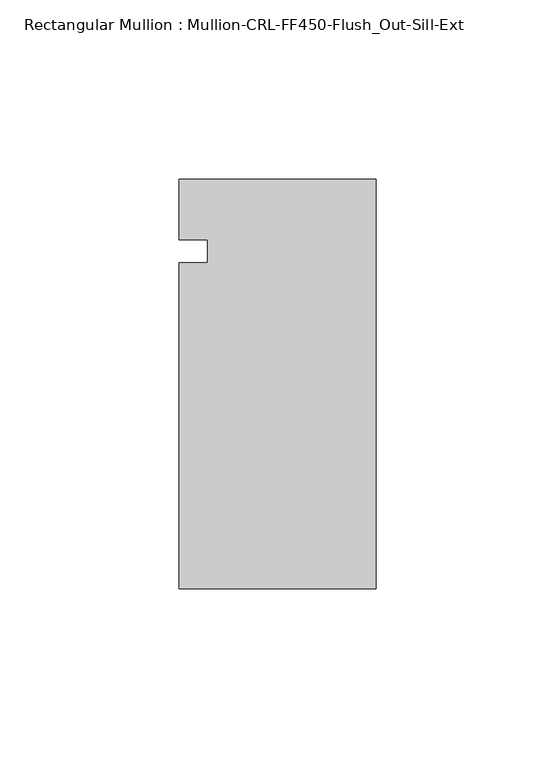
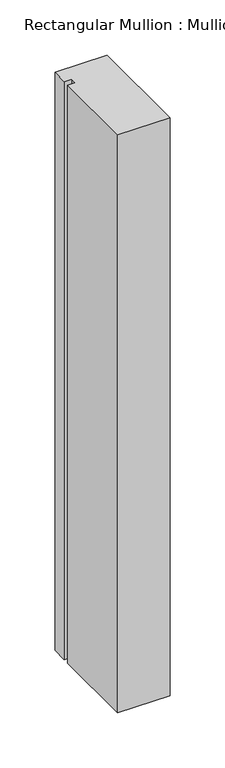
"""IFC4 building model written with IfcOpenShell, lengths in millimetres: member geometry, Rectangular Mullion : Mullion-CRL-FF450-Flush_Out-Sill-Ext."""

from ifc_helpers import new_model, si_unit, frame, origin, place, context, project, spatial, polyline, outline, extrude, source, transform, mapped, element, save


def rectangular_mullion_mullion_crl_ff450_flush_out_sill_ext_052c974a(model_context):
    return source(origin(), model_context, "Body", "SweptSolid", [
        extrude(outline(polyline([(-54.9910181, -94.1461601), (-54.9910181, -3.1555912), (-47.0535181, -3.1555912), (-47.0535181, 3.1944088), (-54.9910181, 3.1944088), (-54.9910181, 20.160815), (0.0, 20.160815), (0.0, -94.1461601), (-54.9910181, -94.1461601)])), frame((0.0, 0.0, -641.3499599), z_axis=(0.0, 0.0, 1.0), x_axis=(1.0, 0.0, 0.0)), (0.0, 0.0, 1.0), 641.3499599),
    ])


if __name__ == "__main__":
    model = new_model("IFC4")
    model_context = context("Model", 3, world=origin())
    ifc_project = project(units=[si_unit("LENGTHUNIT", "METRE", prefix="MILLI")], contexts=[model_context])
    site = spatial("IfcSite", under=ifc_project)
    building = spatial("IfcBuilding", under=site)
    placement = place(None, origin())
    rectangular_mullion_mullion_crl_ff450_flush_out_sill_ext_shape = rectangular_mullion_mullion_crl_ff450_flush_out_sill_ext_052c974a(model_context)
    element("IfcMember", 1, ObjectType="Rectangular Mullion : Mullion-CRL-FF450-Flush_Out-Sill-Ext", at=placement, inside=building, context=model_context, shape_type="MappedRepresentation", body=[
        mapped(rectangular_mullion_mullion_crl_ff450_flush_out_sill_ext_shape, transform((0.0, 0.0, 0.0), x_axis=(1.0, 0.0, 0.0), y_axis=(0.0, 1.0, 0.0), z_axis=(0.0, 0.0, 1.0))),
    ])
    save(model, "model.ifc")
